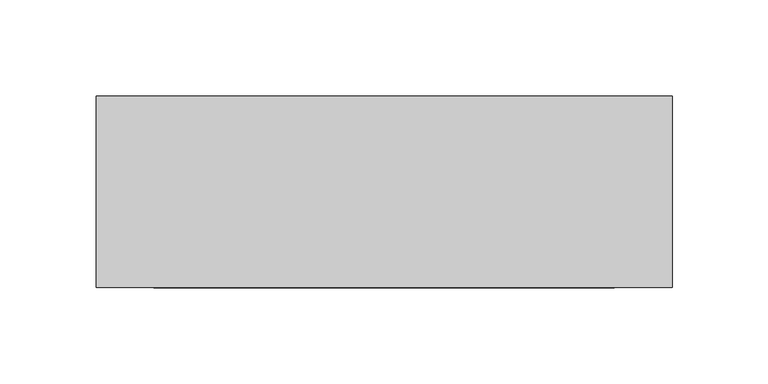
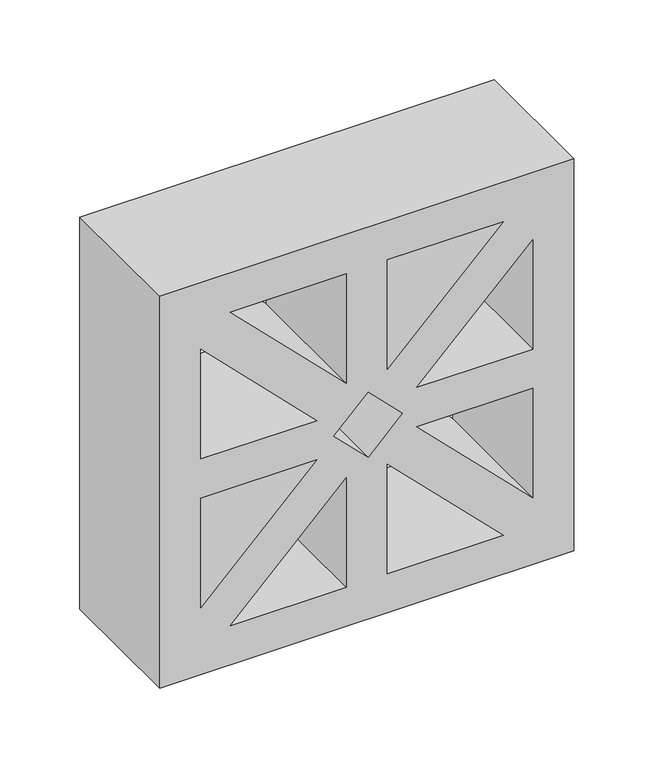
"""IFC4 building model written with IfcOpenShell, lengths in millimetres: plate geometry."""

from ifc_helpers import new_model, si_unit, frame, origin, place, context, project, spatial, polyline, outline, extrude, source, transform, mapped, element, save


def plate_4f66ebdb(model_context):
    return source(origin(), model_context, "Body", "SweptSolid", [
        extrude(outline(polyline([(300.0, 150.0), (300.0, -150.0), (0.0, -150.0), (0.0, 150.0), (300.0, 150.0)]), holes=[polyline([(270.0, 98.7867966), (186.2132034, 15.0), (270.0, 15.0), (270.0, 98.7867966)]), polyline([(270.0, -98.7867966), (270.0, -15.0), (186.2132034, -15.0), (270.0, -98.7867966)]), polyline([(165.0, -36.2132034), (165.0, -120.0), (248.7867966, -120.0), (165.0, -36.2132034)]), polyline([(135.0, -36.2132034), (51.2132034, -120.0), (135.0, -120.0), (135.0, -36.2132034)]), polyline([(30.0, -98.7867966), (113.7867966, -15.0), (30.0, -15.0), (30.0, -98.7867966)]), polyline([(113.7867966, 15.0), (30.0, 98.7867966), (30.0, 15.0), (113.7867966, 15.0)]), polyline([(135.0, 120.0), (51.2132034, 120.0), (135.0, 36.2132034), (135.0, 120.0)]), polyline([(165.0, 120.0), (165.0, 36.2132034), (248.7867966, 120.0), (165.0, 120.0)]), polyline([(148.7875736, 25.694292), (124.0388362, 0.9455547), (148.7875736, -23.8031827), (173.5363109, 0.9455547), (148.7875736, 25.694292)])]), frame((0.0, -100.0, 0.0), z_axis=(0.0, 1.0, 0.0), x_axis=(0.0, 0.0, 1.0)), (0.0, 0.0, 1.0), 100.0),
    ])


if __name__ == "__main__":
    model = new_model("IFC4")
    model_context = context("Model", 3, world=origin())
    ifc_project = project(units=[si_unit("LENGTHUNIT", "METRE", prefix="MILLI")], contexts=[model_context])
    site = spatial("IfcSite", under=ifc_project)
    building = spatial("IfcBuilding", under=site)
    placement = place(None, origin())
    plate_shape = plate_4f66ebdb(model_context)
    element("IfcPlate", 1, at=placement, inside=building, context=model_context, shape_type="MappedRepresentation", body=[
        mapped(plate_shape, transform((0.0, 0.0, 0.0), x_axis=(1.0, 0.0, 0.0), y_axis=(0.0, 1.0, 0.0), z_axis=(0.0, 0.0, 1.0))),
    ])
    save(model, "model.ifc")
